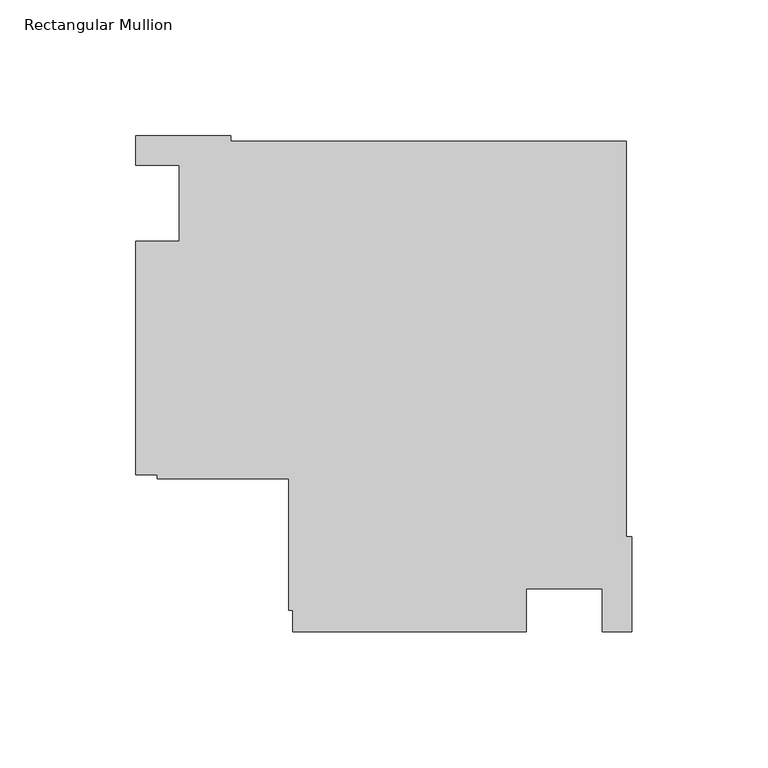
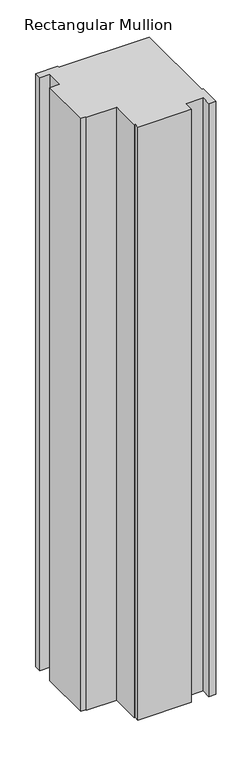
"""IFC4 building model written with IfcOpenShell, lengths in millimetres: member geometry, Rectangular Mullion."""

from ifc_helpers import new_model, si_unit, frame, origin, place, context, project, spatial, polyline, outline, extrude, source, transform, mapped, element, save


def rectangular_mullion_88692baa(model_context):
    return source(origin(), model_context, "Body", "SweptSolid", [
        extrude(outline(polyline([(-182.9999976, -14.0008907), (-166.9999976, -14.0008907), (-166.9999976, 14.0027335), (-183.0085199, 14.0027335), (-183.0085199, 24.9989975), (-147.9999713, 24.9989975), (-147.9999713, 22.9137834), (-2.0852141, 22.9137834), (-2.0852141, -122.9999738), (0.0, -122.9999738), (0.0, -158.0000001), (-10.9999975, -158.0000001), (-10.9999975, -142.0010001), (-38.9998882, -142.0010001), (-38.9998882, -158.0000001), (-125.0, -158.0000001), (-125.0, -150.0000025), (-126.6, -150.0000025), (-126.6, -101.6000025), (-175.0, -101.6000025), (-175.0, -100.0010025), (-182.9999976, -100.0010025), (-182.9999976, -14.0008907)])), frame((0.0, 0.0, -1006.6595328), z_axis=(0.0, 0.0, 1.0), x_axis=(1.0, 0.0, 0.0)), (0.0, 0.0, 1.0), 1006.6595328),
    ])


if __name__ == "__main__":
    model = new_model("IFC4")
    model_context = context("Model", 3, world=origin())
    ifc_project = project(units=[si_unit("LENGTHUNIT", "METRE", prefix="MILLI")], contexts=[model_context])
    site = spatial("IfcSite", under=ifc_project)
    building = spatial("IfcBuilding", under=site)
    placement = place(None, origin())
    rectangular_mullion_shape = rectangular_mullion_88692baa(model_context)
    element("IfcMember", 1, ObjectType="Rectangular Mullion", at=placement, inside=building, context=model_context, shape_type="MappedRepresentation", body=[
        mapped(rectangular_mullion_shape, transform((0.0, 0.0, 0.0), x_axis=(1.0, 0.0, 0.0), y_axis=(0.0, 1.0, 0.0), z_axis=(0.0, 0.0, 1.0))),
    ])
    save(model, "model.ifc")
